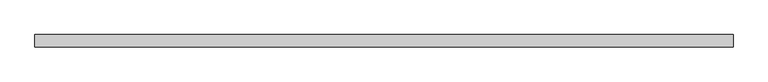
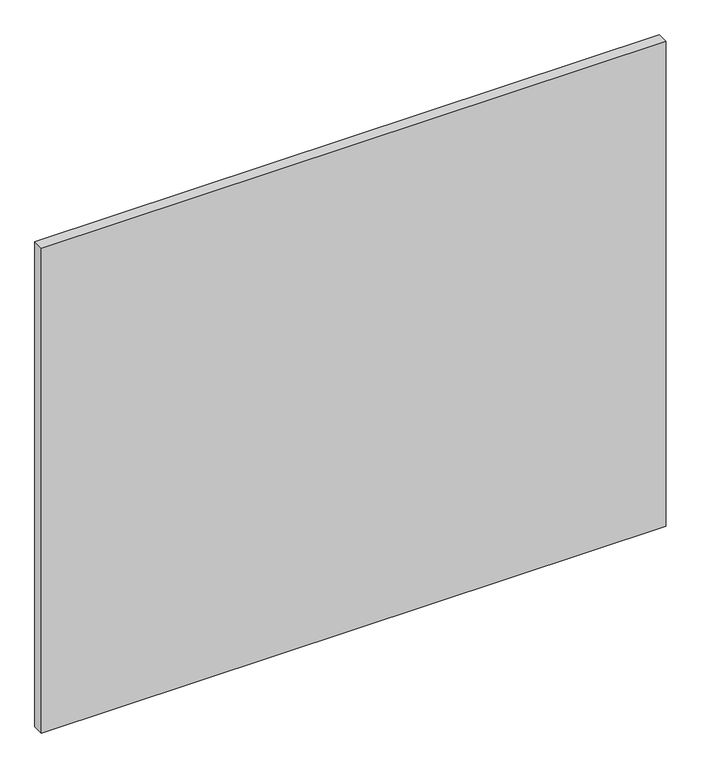
"""IFC4 building model written with IfcOpenShell, lengths in millimetres: proxy geometry."""

from ifc_helpers import new_model, si_unit, frame, origin, place, context, project, spatial, polyline, outline, extrude, source, transform, mapped, element, save


def specialty_equipment_34e7f477(model_context):
    return source(origin(), model_context, "Body", "SweptSolid", [
        extrude(outline(polyline([(531.5249999, 0.0), (531.5249999, -19.05), (-531.5249999, -19.05), (-531.5249999, 0.0), (531.5249999, 0.0)])), frame((0.0, 0.0, 3.175), z_axis=(0.0, 0.0, 1.0), x_axis=(1.0, 0.0, 0.0)), (0.0, 0.0, 1.0), 872.2868001),
    ])


if __name__ == "__main__":
    model = new_model("IFC4")
    model_context = context("Model", 3, world=origin())
    ifc_project = project(units=[si_unit("LENGTHUNIT", "METRE", prefix="MILLI")], contexts=[model_context])
    site = spatial("IfcSite", under=ifc_project)
    building = spatial("IfcBuilding", under=site)
    placement = place(None, origin())
    specialty_equipment_shape = specialty_equipment_34e7f477(model_context)
    element("IfcBuildingElementProxy", 1, Name="Specialty Equipment", at=placement, inside=building, context=model_context, shape_type="MappedRepresentation", body=[
        mapped(specialty_equipment_shape, transform((0.0, 0.0, 0.0), x_axis=(1.0, 0.0, 0.0), y_axis=(0.0, 1.0, 0.0), z_axis=(0.0, 0.0, 1.0))),
    ])
    save(model, "model.ifc")
